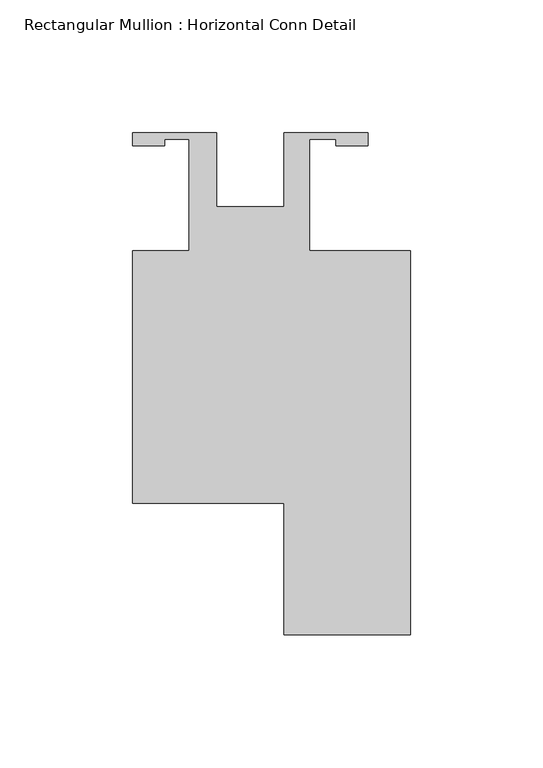
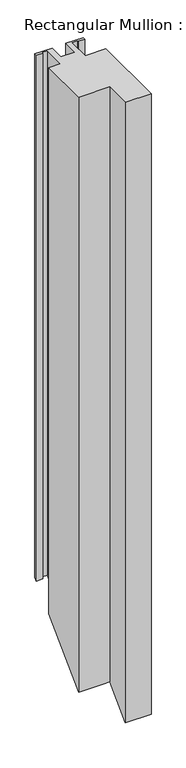
"""IFC4 building model written with IfcOpenShell, lengths in millimetres: member geometry, Rectangular Mullion : Horizontal Conn Detail."""

from ifc_helpers import new_model, si_unit, origin, place, context, project, spatial, faceted_brep, source, transform, mapped, element, save


def rectangular_mullion_horizontal_conn_detail_818bf83a(model_context):
    return source(origin(), model_context, "Body", "Brep", [
        faceted_brep([(-44.45, -19.05, 0.0), (-44.45, -114.3, 0.0), (12.7, -114.3, 0.0), (12.7, -163.9062, 0.0), (60.325, -163.9062, 0.0), (60.325, -19.05, 0.0), (22.225, -19.05, 0.0), (22.225, 22.86, 0.0), (32.3596, 22.86, 0.0), (32.3596, 20.5232, 0.0), (44.45, 20.5232, 0.0), (44.45, 25.4, 0.0), (12.7, 25.4, 0.0), (12.7, -2.54, 0.0), (-12.7, -2.54, 0.0), (-12.7, 25.4, 0.0), (-44.45, 25.4, 0.0), (-44.45, 20.5232, 0.0), (-32.3676573, 20.5232, 0.0), (-32.3676573, 22.9299069, 0.0), (-23.1902, 22.9299069, 0.0), (-23.1902, -19.05, 0.0), (-44.45, -19.05, -1063.9053898), (-44.45, -114.3, -1159.1553898), (0.0, -114.3, -1159.1553898), (12.7, -114.3, -1159.1553898), (12.7, -163.9062, -1208.7615898), (60.325, -163.9062, -1208.7615898), (60.325, -19.05, -1063.9053898), (22.225, -19.05, -1063.9053898), (22.225, 22.86, -1021.9953898), (32.3596, 22.86, -1021.9953898), (32.3596, 20.5232, -1024.3321898), (44.45, 20.5232, -1024.3321898), (44.45, 25.4, -1019.4553898), (12.7, 25.4, -1019.4553898), (12.7, -2.54, -1047.3953898), (0.0, -2.54, -1047.3953898), (-12.7, -2.54, -1047.3953898), (-12.7, 25.4, -1019.4553898), (-44.45, 25.4, -1019.4553898), (-44.45, 20.5232, -1024.3321898), (-32.3676573, 20.5232, -1024.3321898), (-32.3676573, 22.9299069, -1021.9254829), (-23.1902, 22.9299069, -1021.9254829), (-23.1902, -19.05, -1063.9053898)], [[[0, 1, 2, 3, 4, 5, 6, 7, 8, 9, 10, 11, 12, 13, 14, 15, 16, 17, 18, 19, 20, 21]], [[1, 0, 22, 23]], [[2, 1, 23, 24, 25]], [[3, 2, 25, 26]], [[4, 3, 26, 27]], [[5, 4, 27, 28]], [[6, 5, 28, 29]], [[7, 6, 29, 30]], [[8, 7, 30, 31]], [[9, 8, 31, 32]], [[10, 9, 32, 33]], [[11, 10, 33, 34]], [[12, 11, 34, 35]], [[13, 12, 35, 36]], [[14, 13, 36, 37, 38]], [[15, 14, 38, 39]], [[16, 15, 39, 40]], [[17, 16, 40, 41]], [[18, 17, 41, 42]], [[19, 18, 42, 43]], [[20, 19, 43, 44]], [[21, 20, 44, 45]], [[0, 21, 45, 22]], [[22, 45, 44, 43, 42, 41, 40, 39, 38, 37, 24, 23]], [[37, 36, 35, 34, 33, 32, 31, 30, 29, 28, 27, 26, 25, 24]]]),
    ])


if __name__ == "__main__":
    model = new_model("IFC4")
    model_context = context("Model", 3, world=origin())
    ifc_project = project(units=[si_unit("LENGTHUNIT", "METRE", prefix="MILLI")], contexts=[model_context])
    site = spatial("IfcSite", under=ifc_project)
    building = spatial("IfcBuilding", under=site)
    placement = place(None, origin())
    rectangular_mullion_horizontal_conn_detail_shape = rectangular_mullion_horizontal_conn_detail_818bf83a(model_context)
    element("IfcMember", 1, ObjectType="Rectangular Mullion : Horizontal Conn Detail", at=placement, inside=building, context=model_context, shape_type="MappedRepresentation", body=[
        mapped(rectangular_mullion_horizontal_conn_detail_shape, transform((0.0, 0.0, 0.0), x_axis=(1.0, 0.0, 0.0), y_axis=(0.0, 1.0, 0.0), z_axis=(0.0, 0.0, 1.0))),
    ])
    save(model, "model.ifc")
